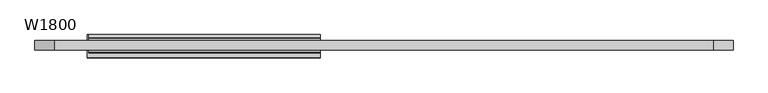
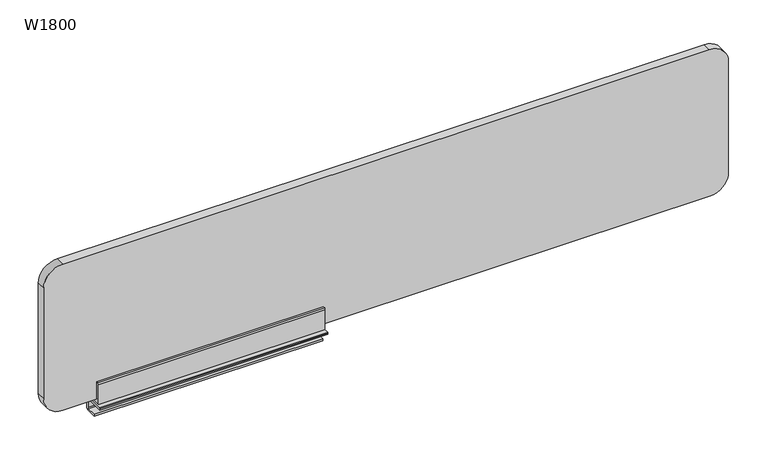
"""IFC4 building model written with IfcOpenShell, lengths in millimetres: furniture geometry, W1800."""

from ifc_helpers import new_model, si_unit, point, frame, frame_2d, origin, place, context, project, spatial, polyline, circle_curve, trimmed, segment, composite_curve, outline, extrude, source, transform, mapped, element, save
from ifc_brep_helpers import plane_surface, cylinder_surface, revolved_surface, advanced_brep


def w1800_72ddea43(model_context):
    return source(origin(), model_context, "Body", "SolidModel", [
        advanced_brep(
        [(-764.6599127, 27.3621544, 731.1874537), (-764.6599127, 26.3467778, 731.1874537), (-764.6599127, 26.3467778, 717.6309888), (-764.6599127, 18.6263588, 709.9105698), (-764.6599127, -8.6763853, 709.9105698), (-764.6599127, -8.6763853, 715.2116612), (-764.6599127, 17.9575126, 715.2116612), (-764.6599127, 19.9491314, 717.20328), (-764.6599127, 19.9491314, 740.2622038), (-764.6599127, 17.9645227, 742.2468125), (-764.6599127, -33.0608921, 742.2468125), (-764.6599127, -33.0608921, 745.7207015), (-764.6599127, -30.9342155, 747.5477433), (-764.6599127, 27.3621544, 747.5477433), (-164.6599115, 17.2494203, 806.7487828), (-164.6599115, 11.9907604, 806.7487828), (-164.6599115, 11.9907604, 760.0000747), (-164.6599115, -11.9907604, 760.0000747), (-164.6599115, -11.9907604, 806.7487828), (-164.6599115, -17.2494203, 806.7487828), (-164.6599115, -19.4137147, 802.9765936), (-164.6599115, -19.4137147, 747.5477433), (-164.6599115, -30.9342155, 747.5477433), (-164.6599115, -33.0608921, 745.7207015), (-164.6599115, -33.0608921, 742.2468125), (-164.6599115, 17.9645227, 742.2468125), (-164.6599115, 19.9491314, 740.2622038), (-164.6599115, 19.9491314, 717.20328), (-164.6599115, 17.9575126, 715.2116612), (-164.6599115, -8.6763853, 715.2116612), (-164.6599115, -8.6763853, 709.9105698), (-164.6599115, 18.6263588, 709.9105698), (-164.6599115, 26.3467778, 717.6309888), (-164.6599115, 26.3467778, 731.1874537), (-164.6599115, 27.3621544, 731.1874537), (-164.6599115, 27.3621544, 763.6578157), (-164.6599115, 19.4137147, 790.7559838), (-164.6599115, 19.4137147, 802.9765936), (-760.6515135, 17.2494203, 806.7487828), (-760.6515135, 11.9907604, 806.7487828), (-760.6515135, 11.9907604, 760.0000747), (-760.6515135, -11.9907604, 760.0000747), (-760.6515135, -11.9907604, 806.7487828), (-760.6515135, -17.2494203, 806.7487828), (-760.6515135, -19.4137147, 802.9765936), (-760.6515135, -19.4137147, 747.5477433), (-760.6515135, 27.3621544, 747.5477433), (-760.6515135, 27.3621544, 763.6578157), (-760.6515135, 19.4137147, 790.7559838), (-760.6515135, 19.4137147, 802.9765936)],
        [
            (0, 1),
            (1, 2),
            (2, 3, circle_curve(frame((-764.6599127, 18.6263588, 717.6309888), z_axis=(-1.0, 0.0, 0.0), x_axis=(0.0, -1.0, 0.0)), 7.720419)),
            (3, 4),
            (4, 5),
            (5, 6),
            (6, 7, circle_curve(frame((-764.6599127, 17.9575126, 717.20328), z_axis=(1.0, 0.0, 0.0), x_axis=(0.0, -1.0, 0.0)), 1.9916188)),
            (7, 8),
            (8, 9, circle_curve(frame((-764.6599127, 17.9645227, 740.2622038), z_axis=(1.0, 0.0, 0.0), x_axis=(0.0, -1.0, 0.0)), 1.9846087)),
            (9, 10),
            (10, 11),
            (11, 12),
            (12, 13),
            (13, 0),
            (14, 15),
            (15, 16),
            (16, 17, circle_curve(frame((-164.6599115, 0.0, 784.9546868), z_axis=(-1.0, 0.0, 0.0), x_axis=(0.0, -1.0, 0.0)), 27.6859351)),
            (17, 18),
            (18, 19),
            (19, 20),
            (20, 21),
            (21, 22),
            (22, 23),
            (23, 24),
            (24, 25),
            (25, 26, circle_curve(frame((-164.6599115, 17.9645227, 740.2622038), z_axis=(-1.0, 0.0, 0.0), x_axis=(0.0, -1.0, 0.0)), 1.9846087)),
            (26, 27),
            (27, 28, circle_curve(frame((-164.6599115, 17.9575126, 717.20328), z_axis=(-1.0, 0.0, 0.0), x_axis=(0.0, -1.0, 0.0)), 1.9916188)),
            (28, 29),
            (29, 30),
            (30, 31),
            (31, 32, circle_curve(frame((-164.6599115, 18.6263588, 717.6309888), z_axis=(1.0, 0.0, 0.0), x_axis=(0.0, -1.0, 0.0)), 7.720419)),
            (32, 33),
            (33, 34),
            (34, 35),
            (35, 36),
            (36, 37),
            (37, 14),
            (14, 38),
            (38, 39),
            (39, 15),
            (39, 40),
            (40, 16),
            (40, 41, circle_curve(frame((-760.6515135, 0.0, 784.9546868), z_axis=(-1.0, 0.0, 0.0), x_axis=(0.0, -1.0, 0.0)), 27.6859351)),
            (41, 17),
            (41, 42),
            (42, 18),
            (42, 43),
            (43, 19),
            (43, 44),
            (44, 20),
            (44, 45),
            (45, 21),
            (45, 46),
            (46, 13),
            (12, 22),
            (11, 23),
            (10, 24),
            (9, 25),
            (8, 26),
            (7, 27),
            (6, 28),
            (5, 29),
            (4, 30),
            (3, 31),
            (2, 32),
            (1, 33),
            (0, 34),
            (46, 47),
            (47, 35),
            (47, 48),
            (48, 36),
            (48, 49),
            (49, 37),
            (49, 38),
        ],
        [
            plane_surface(frame((-764.6599127, 19.4137147, 802.9765936), z_axis=(-1.0000000000000002, 0.0, 0.0), x_axis=(0.0, 0.49765624250863644, -0.8673743507230228))),
            plane_surface(frame((-164.6599115, 19.4137147, 802.9765936), z_axis=(1.0000000000000002, 0.0, 0.0), x_axis=(0.0, -0.49765624250863644, 0.8673743507230228))),
            plane_surface(frame((-764.6599127, 11.9907604, 806.7487828), z_axis=(0.0, 0.0, 1.0), x_axis=(1.0, 0.0, 0.0))),
            plane_surface(frame((-764.6599127, 11.9907604, 760.0000747), z_axis=(0.0, -1.0, 0.0), x_axis=(1.0, 0.0, 0.0))),
            revolved_surface(polyline([(-164.6599115, -27.6859351, 784.9546868), (-760.6515135, -27.6859351, 784.9546868)]), (-164.6599115, 0.0, 784.9546868), (1.0, 0.0, 0.0)),
            plane_surface(frame((-764.6599127, -11.9907604, 806.7487828), z_axis=(0.0, 1.0, 0.0), x_axis=(1.0, 0.0, 0.0))),
            plane_surface(frame((-764.6599127, -17.2494203, 806.7487828), z_axis=(0.0, 0.0, 1.0), x_axis=(1.0, 0.0, 0.0))),
            plane_surface(frame((-764.6599127, -19.4137147, 802.9765936), z_axis=(0.0, -0.8673743507230226, 0.4976562425086367), x_axis=(1.0, 0.0, 0.0))),
            plane_surface(frame((-764.6599127, -19.4137147, 747.5477433), z_axis=(0.0, -1.0, 0.0), x_axis=(1.0, 0.0, 0.0))),
            plane_surface(frame((-764.6599127, -30.9342155, 747.5477433), z_axis=(0.0, 0.0, 1.0), x_axis=(1.0, 0.0, 0.0))),
            plane_surface(frame((-764.6599127, -33.0608921, 745.7207015), z_axis=(0.0, -0.6516496036973114, 0.7585201342094599), x_axis=(1.0, 0.0, 0.0))),
            plane_surface(frame((-764.6599127, -33.0608921, 742.2468125), z_axis=(0.0, -1.0, 0.0), x_axis=(1.0, 0.0, 0.0))),
            plane_surface(frame((-764.6599127, 17.9645227, 742.2468125), z_axis=(0.0, 0.0, -1.0), x_axis=(1.0, 0.0, 0.0))),
            revolved_surface(polyline([(-164.6599115, 15.979914, 740.2622038), (-764.6599127, 15.979914, 740.2622038)]), (-164.6599115, 17.9645227, 740.2622038), (1.0, 0.0, 0.0)),
            plane_surface(frame((-764.6599127, 19.9491314, 717.20328), z_axis=(0.0, -1.0, 0.0), x_axis=(1.0, 0.0, 0.0))),
            revolved_surface(polyline([(-164.6599115, 15.965893800000002, 717.20328), (-764.6599127, 15.965893800000002, 717.20328)]), (-164.6599115, 17.9575126, 717.20328), (1.0, 0.0, 0.0)),
            plane_surface(frame((-764.6599127, -8.6763853, 715.2116612), z_axis=(0.0, 0.0, 1.0), x_axis=(1.0, 0.0, 0.0))),
            plane_surface(frame((-764.6599127, -8.6763853, 709.9105698), z_axis=(0.0, -1.0, 0.0), x_axis=(1.0, 0.0, 0.0))),
            plane_surface(frame((-764.6599127, 18.6263588, 709.9105698), z_axis=(0.0, 0.0, -1.0), x_axis=(1.0, 0.0, 0.0))),
            cylinder_surface(frame((-164.6599115, 18.6263588, 717.6309888), z_axis=(-1.0, 0.0, 0.0), x_axis=(0.0, -1.0, 0.0)), 7.720419),
            plane_surface(frame((-764.6599127, 26.3467778, 731.1874537), z_axis=(0.0, 1.0, 0.0), x_axis=(1.0, 0.0, 0.0))),
            plane_surface(frame((-764.6599127, 27.3621544, 731.1874537), z_axis=(0.0, 0.0, -1.0), x_axis=(1.0, 0.0, 0.0))),
            plane_surface(frame((-764.6599127, 27.3621544, 763.6578157), z_axis=(0.0, 1.0, 0.0), x_axis=(1.0, 0.0, 0.0))),
            plane_surface(frame((-764.6599127, 19.4137147, 790.7559838), z_axis=(0.0, 0.959572389528521, 0.28146194992311935), x_axis=(1.0, 0.0, 0.0))),
            plane_surface(frame((-764.6599127, 19.4137147, 802.9765936), z_axis=(0.0, 1.0, 0.0), x_axis=(1.0, 0.0, 0.0))),
            plane_surface(frame((-764.6599127, 17.2494203, 806.7487828), z_axis=(0.0, 0.8673743507230228, 0.49765624250863644), x_axis=(1.0, 0.0, 0.0))),
            plane_surface(frame((-760.6515135, 49.8496836, 812.5477433), z_axis=(-1.0, 0.0, 0.0), x_axis=(0.0, -1.0, 0.0))),
        ],
        [
            (0, [[1, 2, 3, 4, 5, 6, 7, 8, 9, 10, 11, 12, 13, 14]]),
            (1, [[15, 16, 17, 18, 19, 20, 21, 22, 23, 24, 25, 26, 27, 28, 29, 30, 31, 32, 33, 34, 35, 36, 37, 38]]),
            (2, [[-15, 39, 40, 41]]),
            (3, [[-16, -41, 42, 43]]),
            (4, [[-17, -43, 44, 45]]),
            (5, [[-18, -45, 46, 47]]),
            (6, [[-19, -47, 48, 49]]),
            (7, [[-20, -49, 50, 51]]),
            (8, [[-21, -51, 52, 53]]),
            (9, [[-22, -53, 54, 55, -13, 56]]),
            (10, [[-56, -12, 57, -23]]),
            (11, [[-11, 58, -24, -57]]),
            (12, [[-10, 59, -25, -58]]),
            (13, [[-9, 60, -26, -59]]),
            (14, [[-8, 61, -27, -60]]),
            (15, [[-7, 62, -28, -61]]),
            (16, [[-6, 63, -29, -62]]),
            (17, [[-5, 64, -30, -63]]),
            (18, [[-4, 65, -31, -64]]),
            (19, [[-3, 66, -32, -65]]),
            (20, [[-2, 67, -33, -66]]),
            (21, [[-1, 68, -34, -67]]),
            (22, [[-35, -68, -14, -55, 69, 70]]),
            (23, [[-36, -70, 71, 72]]),
            (24, [[-37, -72, 73, 74]]),
            (25, [[-38, -74, 75, -39]]),
            (26, [[-54, -52, -50, -48, -46, -44, -42, -40, -75, -73, -71, -69]]),
        ],
    ),
        extrude(outline(composite_curve([segment(polyline([(1165.0000005, 849.9999977), (1165.0000005, -850.0000023)]), True, "CONTINUOUS"), segment(trimmed(circle_curve(frame_2d((1115.0000005, -850.0000023)), 50.0), [point((1165.0000005, -850.0000023))], [point((1115.0000005, -900.0000023))], False, "CARTESIAN"), True, "CONTINUOUS"), segment(polyline([(1115.0000005, -900.0000023), (808.0000005, -900.0000023)]), True, "CONTINUOUS"), segment(trimmed(circle_curve(frame_2d((808.0000005, -850.0000023)), 50.0), [point((808.0000005, -900.0000023))], [point((758.0000005, -850.0000023))], False, "CARTESIAN"), True, "CONTINUOUS"), segment(polyline([(758.0000005, -850.0000023), (758.0000005, 849.9999977)]), True, "CONTINUOUS"), segment(trimmed(circle_curve(frame_2d((808.0000005, 849.9999977)), 50.0), [point((758.0000005, 849.9999977))], [point((808.0000005, 899.9999977))], False, "CARTESIAN"), True, "CONTINUOUS"), segment(polyline([(808.0000005, 899.9999977), (1115.0000005, 899.9999977)]), True, "CONTINUOUS"), segment(trimmed(circle_curve(frame_2d((1115.0000005, 849.9999977)), 50.0), [point((1115.0000005, 899.9999977))], [point((1165.0000005, 849.9999977))], False, "CARTESIAN"), True, "CONTINUOUS")], self_intersect=False)), frame((0.0, -12.0000871, 0.0), z_axis=(0.0, 1.0, 0.0), x_axis=(0.0, 0.0, 1.0)), (0.0, 0.0, 1.0), 23.9999995),
    ])


if __name__ == "__main__":
    model = new_model("IFC4")
    model_context = context("Model", 3, world=origin())
    ifc_project = project(units=[si_unit("LENGTHUNIT", "METRE", prefix="MILLI")], contexts=[model_context])
    site = spatial("IfcSite", under=ifc_project)
    building = spatial("IfcBuilding", under=site)
    placement = place(None, origin())
    w1800_shape = w1800_72ddea43(model_context)
    element("IfcFurniture", 1, ObjectType="W1800", at=placement, inside=building, context=model_context, shape_type="MappedRepresentation", body=[
        mapped(w1800_shape, transform((0.0, 0.0, 0.0), x_axis=(1.0, 0.0, 0.0), y_axis=(0.0, 1.0, 0.0), z_axis=(0.0, 0.0, 1.0))),
    ])
    save(model, "model.ifc")
